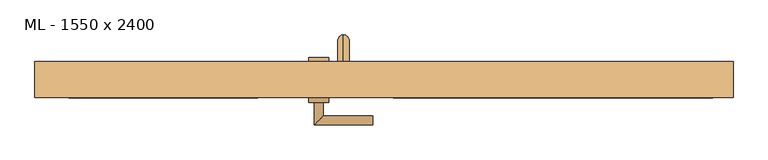
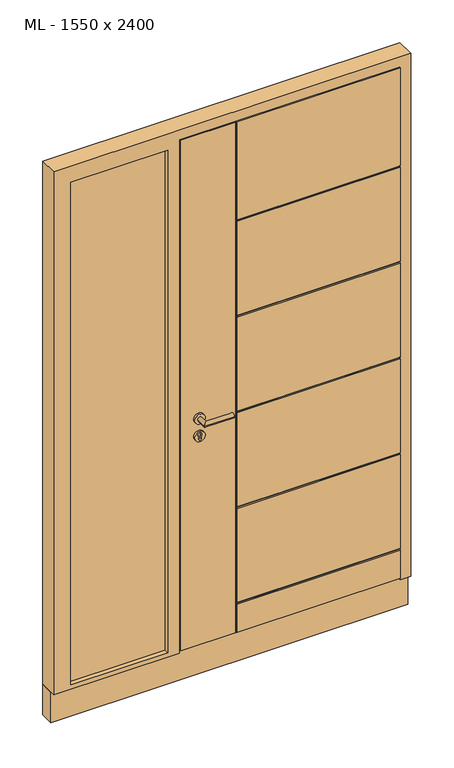
"""IFC4 building model written with IfcOpenShell, lengths in millimetres: door geometry, ML - 1550 x 2400."""

import ifcopenshell
import ifcopenshell.guid

model = None  # the IFC model being written
_history = None  # IfcOwnerHistory: only IFC2X3 demands one
_inside = {}  # id of a spatial element -> (the spatial element, [elements in it])
_under = {}  # id of a project, library or spatial element -> (it, [spatial elements below it])
_declared = {}  # id of a project -> (the project, [libraries it declares])
_typed = {}  # id of a type object -> (the type object, [elements of that type])
_made_of = {}  # id of a material, layer set ... -> (it, [elements and type objects made of it])


def new_model(schema):
    """Start an empty IFC model of exactly this schema.

    Asked for "IFC4X3", IfcOpenShell would pick the latest addendum, in which some entities
    have other attributes; the version numbers below select the first issue.
    IFC2X3 requires an IfcOwnerHistory on every rooted entity: one is made here for all.
    """
    global model, _history
    if schema == "IFC4X3":
        model = ifcopenshell.file(schema_version=(4, 3, 0, 0))
    else:
        model = ifcopenshell.file(schema=schema)
    _inside.clear()
    _under.clear()
    _declared.clear()
    _typed.clear()
    _made_of.clear()
    _history = None
    if model.schema == "IFC2X3":
        org = make("IfcOrganization", Name="unknown")
        user = make(
            "IfcPersonAndOrganization",
            ThePerson=make("IfcPerson", FamilyName="unknown"),
            TheOrganization=org,
        )
        app = make(
            "IfcApplication",
            ApplicationDeveloper=org,
            Version="unknown",
            ApplicationFullName="unknown",
            ApplicationIdentifier="unknown",
        )
        _history = make(
            "IfcOwnerHistory",
            OwningUser=user,
            OwningApplication=app,
            ChangeAction="ADDED",
            CreationDate=0,
        )
    return model


def make(cls, **values):
    """One entity of the class cls with the attributes given. An attribute that is None is left unset."""
    return model.create_entity(
        cls, **{name: value for name, value in values.items() if value is not None}
    )


def rooted(cls, **values):
    """An entity with a GlobalId (a new one), such as an element, a storey or a relation."""
    return make(cls, GlobalId=ifcopenshell.guid.new(), OwnerHistory=_history, **values)


def si_unit(unit_type, name, prefix=None):
    """IfcSIUnit, for example si_unit("LENGTHUNIT", "METRE", prefix="MILLI")."""
    return make("IfcSIUnit", UnitType=unit_type, Prefix=prefix, Name=name)


def assignment(units):
    """IfcUnitAssignment: the units of a project."""
    return None if units is None else make("IfcUnitAssignment", Units=units)


def point(xyz):
    """IfcCartesianPoint."""
    return None if xyz is None else make("IfcCartesianPoint", Coordinates=xyz)


def direction(xyz):
    """IfcDirection."""
    return None if xyz is None else make("IfcDirection", DirectionRatios=xyz)


def frame(location, z_axis=None, x_axis=None):
    """IfcAxis2Placement3D, a coordinate frame: its origin and axes. An axis left out is left unset."""
    return make(
        "IfcAxis2Placement3D",
        Location=point(location),
        Axis=direction(z_axis),
        RefDirection=direction(x_axis),
    )


def frame_2d(location, x_axis=None):
    """IfcAxis2Placement2D, a coordinate frame in the plane: its origin and x axis."""
    return make(
        "IfcAxis2Placement2D", Location=point(location), RefDirection=direction(x_axis)
    )


def origin():
    """The frame at (0, 0, 0) with its axes left unset."""
    return frame((0.0, 0.0, 0.0))


def place(relative_to, where):
    """IfcLocalPlacement: puts the frame where relative to a parent placement (None: the world)."""
    return make(
        "IfcLocalPlacement", PlacementRelTo=relative_to, RelativePlacement=where
    )


def context(
    kind, dimensions, precision=None, world=None, true_north=None, identifier=None
):
    """IfcGeometricRepresentationContext, for example the 3D "Model" context."""
    return make(
        "IfcGeometricRepresentationContext",
        ContextIdentifier=identifier,
        ContextType=kind,
        CoordinateSpaceDimension=dimensions,
        Precision=precision,
        WorldCoordinateSystem=world,
        TrueNorth=true_north,
    )


def project(units=None, contexts=None):
    """IfcProject with its units and contexts."""
    return rooted(
        "IfcProject",
        Name="project",
        RepresentationContexts=contexts,
        UnitsInContext=assignment(units),
    )


def spatial(cls, under=None, at=None, **own):
    """A site, building, storey or space (cls), placed at a placement, below another one or the project."""
    s = rooted(cls, ObjectPlacement=at, **own)
    if under is not None:
        _under.setdefault(under.id(), (under, []))[1].append(s)
    return s


def polyline(points):
    """IfcPolyline through the points."""
    return make("IfcPolyline", Points=[point(p) for p in points])


def circle_curve(where, radius):
    """IfcCircle in the frame where."""
    return make("IfcCircle", Position=where, Radius=radius)


def ellipse_curve(where, semi_axis1, semi_axis2):
    """IfcEllipse in the frame where."""
    return make(
        "IfcEllipse", Position=where, SemiAxis1=semi_axis1, SemiAxis2=semi_axis2
    )


def trimmed(basis, trim1, trim2, sense, master):
    """IfcTrimmedCurve: the piece of a basis curve between two trims."""
    return make(
        "IfcTrimmedCurve",
        BasisCurve=basis,
        Trim1=trim1,
        Trim2=trim2,
        SenseAgreement=sense,
        MasterRepresentation=master,
    )


def segment(curve, same_sense, transition):
    """IfcCompositeCurveSegment."""
    return make(
        "IfcCompositeCurveSegment",
        Transition=transition,
        SameSense=same_sense,
        ParentCurve=curve,
    )


def composite_curve(segments, self_intersect=None):
    """IfcCompositeCurve: segments joined end to end."""
    return make("IfcCompositeCurve", Segments=segments, SelfIntersect=self_intersect)


def outline(outer, holes=None, kind="AREA"):
    """IfcArbitraryClosedProfileDef: a profile drawn as a closed curve; with holes, ...WithVoids."""
    if holes is None:
        return make("IfcArbitraryClosedProfileDef", ProfileType=kind, OuterCurve=outer)
    return make(
        "IfcArbitraryProfileDefWithVoids",
        ProfileType=kind,
        OuterCurve=outer,
        InnerCurves=holes,
    )


def extrude(swept, where, along, depth):
    """IfcExtrudedAreaSolid: the profile swept, set in the frame where, extruded along a direction by depth."""
    return make(
        "IfcExtrudedAreaSolid",
        SweptArea=swept,
        Position=where,
        ExtrudedDirection=direction(along),
        Depth=depth,
    )


def faces_of(points, faces, orient=None, outer=None):
    """IfcFace entities. A face is a list of loops; a loop is a list of indices into points, from 0.

    orient and outer hold one flag for each loop. By default every Orientation is true, the
    first loop of a face is its IfcFaceOuterBound and the others are IfcFaceBound.
    """
    made = []
    for i, loops in enumerate(faces):
        bounds = []
        for j, loop in enumerate(loops):
            is_outer = j == 0 if outer is None else outer[i][j]
            bounds.append(
                make(
                    "IfcFaceOuterBound" if is_outer else "IfcFaceBound",
                    Bound=make("IfcPolyLoop", Polygon=[points[k] for k in loop]),
                    Orientation=True if orient is None else orient[i][j],
                )
            )
        made.append(make("IfcFace", Bounds=bounds))
    return made


def faceted_brep(points, faces, orient=None, outer=None, voids=None):
    """IfcFacetedBrep: a solid bounded by flat faces; with voids (closed shells), ...WithVoids."""
    shared = [point(p) for p in points]
    hull = make("IfcClosedShell", CfsFaces=faces_of(shared, faces, orient, outer))
    if voids is None:
        return make("IfcFacetedBrep", Outer=hull)
    return make(
        "IfcFacetedBrepWithVoids",
        Outer=hull,
        Voids=[
            make(cls, CfsFaces=faces_of(shared, fs, o, b)) for cls, fs, o, b in voids
        ],
    )


def shape(context_of_items, identifier, shape_type, items):
    """IfcShapeRepresentation: the items that make up one representation, for example the "Body"."""
    return make(
        "IfcShapeRepresentation",
        ContextOfItems=context_of_items,
        RepresentationIdentifier=identifier,
        RepresentationType=shape_type,
        Items=items,
    )


def source(mapping_origin, context_of_items, identifier, shape_type, items):
    """IfcRepresentationMap: a shape defined once, which mapped items show again and again."""
    return make(
        "IfcRepresentationMap",
        MappingOrigin=mapping_origin,
        MappedRepresentation=shape(context_of_items, identifier, shape_type, items),
    )


def transform(
    local_origin,
    x_axis=None,
    y_axis=None,
    z_axis=None,
    scale=None,
    scale2=None,
    scale3=None,
    uniform=True,
):
    """IfcCartesianTransformationOperator3D, or its non-uniform kind. x_axis, y_axis, z_axis: its Axis1, 2, 3."""
    if uniform:
        return make(
            "IfcCartesianTransformationOperator3D",
            Axis1=direction(x_axis),
            Axis2=direction(y_axis),
            LocalOrigin=point(local_origin),
            Scale=scale,
            Axis3=direction(z_axis),
        )
    return make(
        "IfcCartesianTransformationOperator3DnonUniform",
        Axis1=direction(x_axis),
        Axis2=direction(y_axis),
        LocalOrigin=point(local_origin),
        Scale=scale,
        Axis3=direction(z_axis),
        Scale2=scale2,
        Scale3=scale3,
    )


def mapped(mapping_source, mapping_target):
    """IfcMappedItem: shows the shape of a source again, moved by a transform."""
    return make(
        "IfcMappedItem", MappingSource=mapping_source, MappingTarget=mapping_target
    )


def made_of(thing, what):
    """Note that an element or type object is made of a material, layer set ...; save() writes the relation."""
    if what is not None:
        _made_of.setdefault(what.id(), (what, []))[1].append(thing)
    return thing


def element(
    cls,
    number,
    at=None,
    inside=None,
    cuts=None,
    type_object=None,
    material=None,
    context=None,
    identifier="Body",
    shape_type=None,
    held_by="IfcProductDefinitionShape",
    body=None,
    shapes=None,
    **own,
):
    """One element of the class cls, such as IfcWall. Its Tag is "e" and its number.

    at: its placement. inside: the storey or other place that contains it. cuts: it is an
    opening in that element (IfcRelVoidsElement). A single representation is given by context,
    identifier, shape_type and body (its items); several are given by shapes. held_by: the class
    of the entity that holds the representations. save() writes the other relations.
    """
    e = rooted(cls, Tag="e%d" % number, ObjectPlacement=at, **own)
    if body is not None:
        shapes = [shape(context, identifier, shape_type, body)]
    if shapes is not None:
        e.Representation = make(held_by, Representations=shapes)
    if inside is not None:
        _inside.setdefault(inside.id(), (inside, []))[1].append(e)
    if cuts is not None:
        rooted(
            "IfcRelVoidsElement", RelatingBuildingElement=cuts, RelatedOpeningElement=e
        )
    if type_object is not None:
        _typed.setdefault(type_object.id(), (type_object, []))[1].append(e)
    return made_of(e, material)


def aggregate(whole, parts):
    """IfcRelAggregates: a whole, such as a stair, and the parts it consists of."""
    return rooted("IfcRelAggregates", RelatingObject=whole, RelatedObjects=parts)


def save(model, path):
    """Write the relations noted so far, then the file.

    IfcRelAggregates (storeys below a building ...), IfcRelContainedInSpatialStructure (elements
    in a storey), IfcRelDefinesByType, IfcRelAssociatesMaterial and IfcRelDeclares: one each for
    every whole, place, type object, material and project.
    """
    for whole, parts in _under.values():
        aggregate(whole, parts)
    for where, things in _inside.values():
        rooted(
            "IfcRelContainedInSpatialStructure",
            RelatedElements=things,
            RelatingStructure=where,
        )
    for kind, things in _typed.values():
        rooted("IfcRelDefinesByType", RelatedObjects=things, RelatingType=kind)
    for what, things in _made_of.values():
        rooted("IfcRelAssociatesMaterial", RelatedObjects=things, RelatingMaterial=what)
    for by, libraries in _declared.values():
        rooted("IfcRelDeclares", RelatingContext=by, RelatedDefinitions=libraries)
    model.write(path)


def plane_surface(at):
    """IfcPlane: the flat surface through the origin of the frame at, square to its z axis."""
    return make("IfcPlane", Position=at)


def cylinder_surface(at, radius):
    """IfcCylindricalSurface: all points at the distance radius from the z axis of the frame at."""
    return make("IfcCylindricalSurface", Position=at, Radius=radius)


def revolved_surface(curve, axis_point, axis_direction):
    """IfcSurfaceOfRevolution: the curve turned about the line through axis_point along axis_direction."""
    return make(
        "IfcSurfaceOfRevolution",
        SweptCurve=make("IfcArbitraryOpenProfileDef", ProfileType="CURVE", Curve=curve),
        AxisPosition=make("IfcAxis1Placement", Location=point(axis_point), Axis=direction(axis_direction)),
    )


def advanced_brep(points, edges, surfaces, faces):
    """IfcAdvancedBrep: a solid bounded by faces that lie on surfaces and meet in shared edges.

    An edge is (start, end): straight between two places in points (the first is 0);
    or (start, end, curve); or (start, end, curve, False) where it runs against its curve.
    A face is (place in surfaces, loops), or (place, loops, False) where it looks against
    its surface's normal. A loop lists edges by number (the first is 1), with a minus sign
    where the edge is run from its end to its start. The first loop is the outer one.
    """
    corners = [point(p) for p in points]
    vertices = [make("IfcVertexPoint", VertexGeometry=c) for c in corners]
    made = []
    for start, end, *more in edges:
        made.append(
            make(
                "IfcEdgeCurve",
                EdgeStart=vertices[start],
                EdgeEnd=vertices[end],
                EdgeGeometry=more[0] if more else make("IfcPolyline", Points=[corners[start], corners[end]]),
                SameSense=more[1] if len(more) > 1 else True,
            )
        )
    hull = []
    for where, loops, *sense in faces:
        bounds = []
        for j, loop in enumerate(loops):
            ring = [make("IfcOrientedEdge", EdgeElement=made[abs(k) - 1], Orientation=k > 0) for k in loop]
            bounds.append(
                make(
                    "IfcFaceOuterBound" if j == 0 else "IfcFaceBound",
                    Bound=make("IfcEdgeLoop", EdgeList=ring),
                    Orientation=True,
                )
            )
        hull.append(make("IfcAdvancedFace", Bounds=bounds, FaceSurface=surfaces[where], SameSense=sense[0] if sense else True))
    return make("IfcAdvancedBrep", Outer=make("IfcClosedShell", CfsFaces=hull))


def ml_1550_x_2400_99d1cead(model_context):
    return source(origin(), model_context, "Body", "SolidModel", [
        advanced_brep(
        [(-377.5, 125.0, 1775.0), (-377.5, 125.0, 1800.0), (-377.5, 125.0, 325.0), (-377.5, 125.0, 300.0), (-377.5, 160.0, 325.0), (-377.5, 185.0, 300.0), (-377.5, 185.0, 1800.0), (-377.5, 160.0, 1775.0)],
        [
            (0, 1, circle_curve(frame((-377.5, 125.0, 1787.5), z_axis=(0.0, -1.0, 0.0), x_axis=(0.0, 0.0, 1.0)), 12.5)),
            (1, 0, circle_curve(frame((-377.5, 125.0, 1787.5), z_axis=(0.0, -1.0, 0.0), x_axis=(0.0, 0.0, 1.0)), 12.5)),
            (2, 3, circle_curve(frame((-377.5, 125.0, 312.5), z_axis=(0.0, -1.0, 0.0), x_axis=(0.0, 0.0, -1.0)), 12.5)),
            (3, 2, circle_curve(frame((-377.5, 125.0, 312.5), z_axis=(0.0, -1.0, 0.0), x_axis=(0.0, 0.0, -1.0)), 12.5)),
            (4, 5, ellipse_curve(frame((-377.5, 172.5, 312.5), z_axis=(0.0, -0.7071067811865475, -0.7071067811865475), x_axis=(0.0, 0.7071067811865476, -0.7071067811865474)), 17.6776695, 12.5)),
            (5, 3),
            (2, 4),
            (5, 4, ellipse_curve(frame((-377.5, 172.5, 312.5), z_axis=(0.0, -0.7071067811865475, -0.7071067811865475), x_axis=(0.0, 0.7071067811865476, -0.7071067811865474)), 17.6776695, 12.5)),
            (6, 7, ellipse_curve(frame((-377.5, 172.5, 1787.5), z_axis=(0.0, 0.7071067811865475, -0.7071067811865475), x_axis=(0.0, 0.7071067811865474, 0.7071067811865476)), 17.6776695, 12.5)),
            (7, 4),
            (5, 6),
            (7, 6, ellipse_curve(frame((-377.5, 172.5, 1787.5), z_axis=(0.0, 0.7071067811865475, -0.7071067811865475), x_axis=(0.0, 0.7071067811865474, 0.7071067811865476)), 17.6776695, 12.5)),
            (0, 7),
            (6, 1),
        ],
        [
            plane_surface(frame((-377.5, 125.0, 1800.0), z_axis=(0.0, -1.0, 0.0), x_axis=(1.0, 0.0, 0.0))),
            plane_surface(frame((-377.5, 125.0, 300.0), z_axis=(0.0, -1.0, 0.0), x_axis=(1.0, 0.0, 0.0))),
            cylinder_surface(frame((-377.5, 185.0, 312.5), z_axis=(0.0, 1.0, 0.0), x_axis=(0.0, 0.0, -1.0)), 12.5),
            cylinder_surface(frame((-377.5, 172.5, 1800.0), z_axis=(0.0, 0.0, 1.0), x_axis=(0.0, 1.0, 0.0)), 12.5),
            cylinder_surface(frame((-377.5, 125.0, 1787.5), z_axis=(0.0, -1.0, 0.0), x_axis=(0.0, 0.0, 1.0)), 12.5),
        ],
        [
            (0, [[1, 2]]),
            (1, [[3, 4]]),
            (2, [[5, 6, -3, 7]]),
            (2, [[8, -7, -4, -6]]),
            (3, [[9, 10, -8, 11]]),
            (3, [[12, -11, -5, -10]]),
            (4, [[-1, 13, -9, 14]]),
            (4, [[-2, -14, -12, -13]]),
        ],
    ),
        advanced_brep(
        [(-455.0, 125.0, 970.0), (-410.0, 125.0, 970.0), (-455.0, 135.0, 970.0), (-410.0, 135.0, 970.0), (-437.5, 135.0, 958.5), (-427.5, 135.0, 958.5), (-427.5, 135.0, 971.1261365), (-437.5, 135.0, 971.1261365), (-437.5, 127.0, 971.1261365), (-437.5, 127.0, 958.5), (-427.5, 127.0, 971.1261365), (-427.5, 127.0, 958.5)],
        [
            (0, 1, circle_curve(frame((-432.5, 125.0, 970.0), z_axis=(0.0, -1.0, 0.0), x_axis=(1.0, 0.0, 0.0)), 22.5)),
            (1, 0, circle_curve(frame((-432.5, 125.0, 970.0), z_axis=(0.0, -1.0, 0.0), x_axis=(1.0, 0.0, 0.0)), 22.5)),
            (2, 3, circle_curve(frame((-432.5, 135.0, 970.0), z_axis=(0.0, 1.0, 0.0), x_axis=(1.0, 0.0, 0.0)), 22.5)),
            (3, 2, circle_curve(frame((-432.5, 135.0, 970.0), z_axis=(0.0, 1.0, 0.0), x_axis=(1.0, 0.0, 0.0)), 22.5)),
            (4, 5, circle_curve(frame((-432.5, 135.0, 958.5), z_axis=(0.0, -1.0, 0.0), x_axis=(1.0, 0.0, 0.0)), 5.0)),
            (5, 6),
            (6, 7, circle_curve(frame((-432.5, 135.0, 978.0), z_axis=(0.0, -1.0, 0.0), x_axis=(1.0, 0.0, 0.0)), 8.5)),
            (7, 4),
            (0, 2),
            (3, 1),
            (7, 8),
            (8, 9),
            (9, 4),
            (6, 10),
            (10, 8, circle_curve(frame((-432.5, 127.0, 978.0), z_axis=(0.0, -1.0, 0.0), x_axis=(1.0, 0.0, 0.0)), 8.5)),
            (5, 11),
            (11, 10),
            (9, 11, circle_curve(frame((-432.5, 127.0, 958.5), z_axis=(0.0, -1.0, 0.0), x_axis=(1.0, 0.0, 0.0)), 5.0)),
        ],
        [
            plane_surface(frame((-410.0, 125.0, 970.0), z_axis=(0.0, -1.0, 0.0), x_axis=(0.0, 0.0, 1.0))),
            plane_surface(frame((-410.0, 135.0, 970.0), z_axis=(0.0, 1.0, 0.0), x_axis=(0.0, 0.0, -1.0))),
            cylinder_surface(frame((-432.5, 135.0, 970.0), z_axis=(0.0, -1.0, 0.0), x_axis=(1.0, 0.0, 0.0)), 22.5),
            plane_surface(frame((-437.5, 125.0, 958.5), z_axis=(1.0, 0.0, 0.0), x_axis=(0.0, 1.0, 0.0))),
            revolved_surface(polyline([(-424.0, 135.0, 978.0), (-424.0, 127.0, 978.0)]), (-432.5, 125.0, 978.0), (0.0, 1.0, 0.0)),
            plane_surface(frame((-427.5, 125.0, 971.1261365), z_axis=(-1.0, 0.0, 0.0), x_axis=(0.0, 1.0, 0.0))),
            revolved_surface(polyline([(-427.5, 135.0, 958.5), (-427.5, 127.0, 958.5)]), (-432.5, 125.0, 958.5), (0.0, 1.0, 0.0)),
            plane_surface(frame((-424.0, 127.0, 978.0), z_axis=(0.0, 1.0, 0.0), x_axis=(0.0, 0.0, -1.0))),
        ],
        [
            (0, [[1, 2]]),
            (1, [[3, 4], [5, 6, 7, 8]]),
            (2, [[-1, 9, -4, 10]]),
            (2, [[-2, -10, -3, -9]]),
            (3, [[-8, 11, 12, 13]]),
            (4, [[-7, 14, 15, -11]]),
            (5, [[-6, 16, 17, -14]]),
            (6, [[-5, -13, 18, -16]]),
            (7, [[-12, -15, -17, -18]]),
        ],
    ),
        advanced_brep(
        [(-455.0, 45.0, 970.0), (-410.0, 45.0, 970.0), (-455.0, 35.0, 970.0), (-410.0, 35.0, 970.0), (-437.5, 35.0, 958.5), (-437.5, 35.0, 971.1261365), (-427.5, 35.0, 971.1261365), (-427.5, 35.0, 958.5), (-437.5, 43.0, 958.5), (-437.5, 43.0, 971.1261365), (-427.5, 43.0, 971.1261365), (-427.5, 43.0, 958.5)],
        [
            (0, 1, circle_curve(frame((-432.5, 45.0, 970.0), z_axis=(0.0, 1.0, 0.0), x_axis=(1.0, 0.0, 0.0)), 22.5)),
            (1, 0, circle_curve(frame((-432.5, 45.0, 970.0), z_axis=(0.0, 1.0, 0.0), x_axis=(1.0, 0.0, 0.0)), 22.5)),
            (2, 3, circle_curve(frame((-432.5, 35.0, 970.0), z_axis=(0.0, -1.0, 0.0), x_axis=(1.0, 0.0, 0.0)), 22.5)),
            (3, 2, circle_curve(frame((-432.5, 35.0, 970.0), z_axis=(0.0, -1.0, 0.0), x_axis=(1.0, 0.0, 0.0)), 22.5)),
            (4, 5),
            (5, 6, circle_curve(frame((-432.5, 35.0, 978.0), z_axis=(0.0, 1.0, 0.0), x_axis=(1.0, 0.0, 0.0)), 8.5)),
            (6, 7),
            (7, 4, circle_curve(frame((-432.5, 35.0, 958.5), z_axis=(0.0, 1.0, 0.0), x_axis=(1.0, 0.0, 0.0)), 5.0)),
            (1, 3),
            (2, 0),
            (4, 8),
            (8, 9),
            (9, 5),
            (9, 10, circle_curve(frame((-432.5, 43.0, 978.0), z_axis=(0.0, 1.0, 0.0), x_axis=(1.0, 0.0, 0.0)), 8.5)),
            (10, 6),
            (10, 11),
            (11, 7),
            (11, 8, circle_curve(frame((-432.5, 43.0, 958.5), z_axis=(0.0, 1.0, 0.0), x_axis=(1.0, 0.0, 0.0)), 5.0)),
        ],
        [
            plane_surface(frame((-410.0, 45.0, 970.0), z_axis=(0.0, 1.0, 0.0), x_axis=(0.0, 0.0, 1.0))),
            plane_surface(frame((-410.0, 35.0, 970.0), z_axis=(0.0, -1.0, 0.0), x_axis=(0.0, 0.0, -1.0))),
            cylinder_surface(frame((-432.5, 35.0, 970.0), z_axis=(0.0, 1.0, 0.0), x_axis=(1.0, 0.0, 0.0)), 22.5),
            plane_surface(frame((-437.5, 45.0, 958.5), z_axis=(1.0, 0.0, 0.0), x_axis=(0.0, -1.0, 0.0))),
            revolved_surface(polyline([(-424.0, 35.0, 978.0), (-424.0, 43.0, 978.0)]), (-432.5, 45.0, 978.0), (0.0, -1.0, 0.0)),
            plane_surface(frame((-427.5, 45.0, 971.1261365), z_axis=(-1.0, 0.0, 0.0), x_axis=(0.0, -1.0, 0.0))),
            revolved_surface(polyline([(-427.5, 35.0, 958.5), (-427.5, 43.0, 958.5)]), (-432.5, 45.0, 958.5), (0.0, -1.0, 0.0)),
            plane_surface(frame((-437.5, 43.0, 958.5), z_axis=(0.0, -1.0, 0.0), x_axis=(0.0, 0.0, 1.0))),
        ],
        [
            (0, [[1, 2]]),
            (1, [[3, 4], [5, 6, 7, 8]]),
            (2, [[9, -3, 10, -2]]),
            (2, [[-10, -4, -9, -1]]),
            (3, [[11, 12, 13, -5]]),
            (4, [[-13, 14, 15, -6]]),
            (5, [[-15, 16, 17, -7]]),
            (6, [[-17, 18, -11, -8]]),
            (7, [[-18, -16, -14, -12]]),
        ],
    ),
        advanced_brep(
        [(-422.5, 35.0, 1050.0), (-442.5, 35.0, 1050.0), (-442.5, -15.0, 1050.0), (-422.5, 5.0, 1050.0), (-312.5, 5.0, 1050.0), (-312.5, -15.0, 1050.0)],
        [
            (0, 1, circle_curve(frame((-432.5, 35.0, 1050.0), z_axis=(0.0, 1.0, 0.0), x_axis=(-1.0, 0.0, 0.0)), 10.0)),
            (1, 0, circle_curve(frame((-432.5, 35.0, 1050.0), z_axis=(0.0, 1.0, 0.0), x_axis=(-1.0, 0.0, 0.0)), 10.0)),
            (1, 2),
            (2, 3, ellipse_curve(frame((-432.5, -5.0, 1050.0), z_axis=(-0.7071067811865486, 0.7071067811865464, 0.0), x_axis=(0.7071067811865464, 0.7071067811865488, 0.0)), 14.1421356, 10.0)),
            (3, 0),
            (3, 2, ellipse_curve(frame((-432.5, -5.0, 1050.0), z_axis=(-0.7071067811865486, 0.7071067811865464, 0.0), x_axis=(0.7071067811865464, 0.7071067811865488, 0.0)), 14.1421356, 10.0)),
            (4, 5, circle_curve(frame((-312.5, -5.0, 1050.0), z_axis=(1.0, 0.0, 0.0), x_axis=(0.0, -1.0, 0.0)), 10.0)),
            (5, 4, circle_curve(frame((-312.5, -5.0, 1050.0), z_axis=(1.0, 0.0, 0.0), x_axis=(0.0, -1.0, 0.0)), 10.0)),
            (2, 5),
            (4, 3),
        ],
        [
            plane_surface(frame((-432.5, 35.0, 1050.0), z_axis=(0.0, 1.0, 0.0), x_axis=(0.0, 0.0, 1.0))),
            cylinder_surface(frame((-432.5, 35.0, 1050.0), z_axis=(0.0, 1.0, 0.0), x_axis=(-1.0, 0.0, 0.0)), 10.0),
            plane_surface(frame((-312.5, -5.0, 1050.0), z_axis=(1.0, 0.0, 0.0), x_axis=(0.0, 0.0, 1.0))),
            cylinder_surface(frame((-432.5, -5.0, 1050.0), z_axis=(-1.0, 0.0, 0.0), x_axis=(0.0, -1.0, 0.0)), 10.0),
        ],
        [
            (0, [[1, 2]]),
            (1, [[3, 4, 5, -2]]),
            (1, [[-5, 6, -3, -1]]),
            (2, [[7, 8]]),
            (3, [[9, -7, 10, -4]]),
            (3, [[-10, -8, -9, -6]]),
        ],
    ),
        advanced_brep(
        [(-422.5, 35.0, 1050.0), (-442.5, 35.0, 1050.0), (-442.5, -15.0, 1050.0), (-422.5, 5.0, 1050.0), (-312.5, 5.0, 1050.0), (-312.5, -15.0, 1050.0)],
        [
            (0, 1, circle_curve(frame((-432.5, 35.0, 1050.0), z_axis=(0.0, 1.0, 0.0), x_axis=(-1.0, 0.0, 0.0)), 10.0)),
            (1, 0, circle_curve(frame((-432.5, 35.0, 1050.0), z_axis=(0.0, 1.0, 0.0), x_axis=(-1.0, 0.0, 0.0)), 10.0)),
            (1, 2),
            (2, 3, ellipse_curve(frame((-432.5, -5.0, 1050.0), z_axis=(-0.7071067811865491, 0.7071067811865459, 0.0), x_axis=(0.7071067811865458, 0.7071067811865492, 0.0)), 14.1421356, 10.0)),
            (3, 0),
            (3, 2, ellipse_curve(frame((-432.5, -5.0, 1050.0), z_axis=(-0.7071067811865491, 0.7071067811865459, 0.0), x_axis=(0.7071067811865458, 0.7071067811865492, 0.0)), 14.1421356, 10.0)),
            (4, 5, circle_curve(frame((-312.5, -5.0, 1050.0), z_axis=(1.0, 0.0, 0.0), x_axis=(0.0, -1.0, 0.0)), 10.0)),
            (5, 4, circle_curve(frame((-312.5, -5.0, 1050.0), z_axis=(1.0, 0.0, 0.0), x_axis=(0.0, -1.0, 0.0)), 10.0)),
            (2, 5),
            (4, 3),
        ],
        [
            plane_surface(frame((-432.5, 35.0, 1050.0), z_axis=(0.0, 1.0, 0.0), x_axis=(0.0, 0.0, 1.0))),
            cylinder_surface(frame((-432.5, 35.0, 1050.0), z_axis=(0.0, 1.0, 0.0), x_axis=(-1.0, 0.0, 0.0)), 10.0),
            plane_surface(frame((-312.5, -5.0, 1050.0), z_axis=(1.0, 0.0, 0.0), x_axis=(0.0, 0.0, 1.0))),
            cylinder_surface(frame((-432.5, -5.0, 1050.0), z_axis=(-1.0, 0.0, 0.0), x_axis=(0.0, -1.0, 0.0)), 10.0),
        ],
        [
            (0, [[1, 2]]),
            (1, [[3, 4, 5, -2]]),
            (1, [[-5, 6, -3, -1]]),
            (2, [[7, 8]]),
            (3, [[9, -7, 10, -4]]),
            (3, [[-10, -8, -9, -6]]),
        ],
    ),
        extrude(outline(composite_curve([segment(trimmed(circle_curve(frame_2d((1050.0, -432.5)), 22.5), [point((1050.0, -455.0))], [point((1050.0, -410.0))], False, "CARTESIAN"), True, "CONTINUOUS"), segment(trimmed(circle_curve(frame_2d((1050.0, -432.5)), 22.5), [point((1050.0, -410.0))], [point((1050.0, -455.0))], False, "CARTESIAN"), True, "CONTINUOUS")], self_intersect=False)), frame((0.0, 35.0, 0.0), z_axis=(0.0, 1.0, 0.0), x_axis=(0.0, 0.0, 1.0)), (0.0, 0.0, 1.0), 10.0),
        advanced_brep(
        [(-509.5, 45.0, 2351.0), (-509.5, 45.0, 8.0), (-273.5, 45.0, 8.0), (-273.5, 45.0, 2351.0), (-265.5, 45.0, 583.2), (442.5, 45.0, 583.2), (442.5, 45.0, 1014.4), (-265.5, 45.0, 1014.4), (-265.5, 45.0, 1022.4), (442.5, 45.0, 1022.4), (442.5, 45.0, 1453.6), (-265.5, 45.0, 1453.6), (-265.5, 45.0, 1461.6), (442.5, 45.0, 1461.6), (442.5, 45.0, 1892.8), (-265.5, 45.0, 1892.8), (442.5, 45.0, 144.0), (442.5, 45.0, 575.2), (-265.5, 45.0, 575.2), (-265.5, 45.0, 144.0), (442.5, 45.0, 8.0), (442.5, 45.0, 136.0), (-265.5, 45.0, 136.0), (-265.5, 45.0, 8.0), (442.5, 45.0, 2351.0), (-265.5, 45.0, 2351.0), (-265.5, 45.0, 1900.8), (442.5, 45.0, 1900.8), (-509.5, 65.0, 2351.0), (-509.5, 65.0, 8.0), (442.5, 65.0, 2351.0), (442.5, 65.0, 8.0), (427.5, 65.0, 2336.0), (-494.5, 65.0, 2336.0), (-494.5, 65.0, 20.0), (427.5, 65.0, 20.0), (-494.5, 105.0, 2336.0), (-494.5, 105.0, 20.0), (427.5, 105.0, 2336.0), (427.5, 105.0, 20.0), (412.5, 105.0, 2321.0), (-479.5, 105.0, 2321.0), (-479.5, 105.0, 140.0), (412.5, 105.0, 140.0), (-479.5, 125.0, 2321.0), (-479.5, 125.0, 140.0), (-273.5, 125.0, 2321.0), (-273.5, 125.0, 140.0), (412.5, 125.0, 575.2), (412.5, 125.0, 140.0), (-265.5, 125.0, 140.0), (-265.5, 125.0, 575.2), (412.5, 125.0, 583.2), (-265.5, 125.0, 583.2), (-265.5, 125.0, 1014.4), (412.5, 125.0, 1014.4), (412.5, 125.0, 1022.4), (-265.5, 125.0, 1022.4), (-265.5, 125.0, 1453.6), (412.5, 125.0, 1453.6), (-265.5, 125.0, 2321.0), (412.5, 125.0, 2321.0), (412.5, 125.0, 1900.8), (-265.5, 125.0, 1900.8), (412.5, 125.0, 1461.6), (-265.5, 125.0, 1461.6), (-265.5, 125.0, 1892.8), (412.5, 125.0, 1892.8), (412.5, 121.0, 579.2), (412.5, 121.0, 1018.4), (412.5, 121.0, 1457.6), (412.5, 121.0, 1896.8), (442.5, 49.0, 1896.8), (442.5, 49.0, 1457.6), (442.5, 49.0, 1018.4), (442.5, 49.0, 579.2), (442.5, 49.0, 140.0), (-269.5, 49.0, 2351.0), (-269.5, 121.0, 2321.0), (-269.5, 49.0, 8.0), (-269.5, 121.0, 140.0), (-269.5, 121.0, 579.2), (-269.5, 49.0, 579.2), (-269.5, 49.0, 140.0), (-269.5, 121.0, 1896.8), (-269.5, 121.0, 1457.6), (-269.5, 121.0, 1018.4), (-269.5, 49.0, 1018.4), (-269.5, 49.0, 1457.6), (-269.5, 49.0, 1896.8)],
        [
            (0, 1),
            (1, 2),
            (2, 3),
            (3, 0),
            (4, 5),
            (5, 6),
            (6, 7),
            (7, 4),
            (8, 9),
            (9, 10),
            (10, 11),
            (11, 8),
            (12, 13),
            (13, 14),
            (14, 15),
            (15, 12),
            (16, 17),
            (17, 18),
            (18, 19),
            (19, 16),
            (20, 21),
            (21, 22),
            (22, 23),
            (23, 20),
            (24, 25),
            (25, 26),
            (26, 27),
            (27, 24),
            (0, 28),
            (28, 29),
            (29, 1),
            (28, 30),
            (30, 31),
            (31, 29),
            (32, 33),
            (33, 34),
            (34, 35),
            (35, 32),
            (33, 36),
            (36, 37),
            (37, 34),
            (36, 38),
            (38, 39),
            (39, 37),
            (40, 41),
            (41, 42),
            (42, 43),
            (43, 40),
            (41, 44),
            (44, 45),
            (45, 42),
            (44, 46),
            (46, 47),
            (47, 45),
            (48, 49),
            (49, 50),
            (50, 51),
            (51, 48),
            (52, 53),
            (53, 54),
            (54, 55),
            (55, 52),
            (56, 57),
            (57, 58),
            (58, 59),
            (59, 56),
            (60, 61),
            (61, 62),
            (62, 63),
            (63, 60),
            (64, 65),
            (65, 66),
            (66, 67),
            (67, 64),
            (61, 40),
            (43, 49),
            (48, 68, circle_curve(frame((412.5, 121.0, 575.2), z_axis=(1.0, 0.0, 0.0), x_axis=(0.0, 1.0, 0.0)), 4.0)),
            (68, 52, circle_curve(frame((412.5, 121.0, 583.2), z_axis=(1.0, 0.0, 0.0), x_axis=(0.0, 1.0, 0.0)), 4.0)),
            (55, 69, circle_curve(frame((412.5, 121.0, 1014.4), z_axis=(1.0, 0.0, 0.0), x_axis=(0.0, 1.0, 0.0)), 4.0)),
            (69, 56, circle_curve(frame((412.5, 121.0, 1022.4), z_axis=(1.0, 0.0, 0.0), x_axis=(0.0, 1.0, 0.0)), 4.0)),
            (59, 70, circle_curve(frame((412.5, 121.0, 1453.6), z_axis=(1.0, 0.0, 0.0), x_axis=(0.0, 1.0, 0.0)), 4.0)),
            (70, 64, circle_curve(frame((412.5, 121.0, 1461.6), z_axis=(1.0, 0.0, 0.0), x_axis=(0.0, 1.0, 0.0)), 4.0)),
            (67, 71, circle_curve(frame((412.5, 121.0, 1892.8), z_axis=(1.0, 0.0, 0.0), x_axis=(0.0, 1.0, 0.0)), 4.0)),
            (71, 62, circle_curve(frame((412.5, 121.0, 1900.8), z_axis=(1.0, 0.0, 0.0), x_axis=(0.0, 1.0, 0.0)), 4.0)),
            (38, 32),
            (35, 39),
            (30, 24),
            (27, 72, circle_curve(frame((442.5, 49.0, 1900.8), z_axis=(1.0, 0.0, 0.0), x_axis=(0.0, -1.0, 0.0)), 4.0)),
            (72, 14, circle_curve(frame((442.5, 49.0, 1892.8), z_axis=(1.0, 0.0, 0.0), x_axis=(0.0, -1.0, 0.0)), 4.0)),
            (13, 73, circle_curve(frame((442.5, 49.0, 1461.6), z_axis=(1.0, 0.0, 0.0), x_axis=(0.0, -1.0, 0.0)), 4.0)),
            (73, 10, circle_curve(frame((442.5, 49.0, 1453.6), z_axis=(1.0, 0.0, 0.0), x_axis=(0.0, -1.0, 0.0)), 4.0)),
            (9, 74, circle_curve(frame((442.5, 49.0, 1022.4), z_axis=(1.0, 0.0, 0.0), x_axis=(0.0, -1.0, 0.0)), 4.0)),
            (74, 6, circle_curve(frame((442.5, 49.0, 1014.4), z_axis=(1.0, 0.0, 0.0), x_axis=(0.0, -1.0, 0.0)), 4.0)),
            (5, 75, circle_curve(frame((442.5, 49.0, 583.2), z_axis=(1.0, 0.0, 0.0), x_axis=(0.0, -1.0, 0.0)), 4.0)),
            (75, 17, circle_curve(frame((442.5, 49.0, 575.2), z_axis=(1.0, 0.0, 0.0), x_axis=(0.0, -1.0, 0.0)), 4.0)),
            (16, 76, circle_curve(frame((442.5, 49.0, 144.0), z_axis=(1.0, 0.0, 0.0), x_axis=(0.0, -1.0, 0.0)), 4.0)),
            (76, 21, circle_curve(frame((442.5, 49.0, 136.0), z_axis=(1.0, 0.0, 0.0), x_axis=(0.0, -1.0, 0.0)), 4.0)),
            (20, 31),
            (3, 77, circle_curve(frame((-273.5, 49.0, 2351.0), z_axis=(0.0, 0.0, 1.0), x_axis=(0.0, -1.0, 0.0)), 4.0)),
            (77, 25, circle_curve(frame((-265.5, 49.0, 2351.0), z_axis=(0.0, 0.0, 1.0), x_axis=(0.0, -1.0, 0.0)), 4.0)),
            (60, 78, circle_curve(frame((-265.5, 121.0, 2321.0), z_axis=(0.0, 0.0, 1.0), x_axis=(0.0, 1.0, 0.0)), 4.0)),
            (78, 46, circle_curve(frame((-273.5, 121.0, 2321.0), z_axis=(0.0, 0.0, 1.0), x_axis=(0.0, 1.0, 0.0)), 4.0)),
            (23, 79, circle_curve(frame((-265.5, 49.0, 8.0), z_axis=(0.0, 0.0, -1.0), x_axis=(0.0, -1.0, 0.0)), 4.0)),
            (79, 2, circle_curve(frame((-273.5, 49.0, 8.0), z_axis=(0.0, 0.0, -1.0), x_axis=(0.0, -1.0, 0.0)), 4.0)),
            (47, 80, circle_curve(frame((-273.5, 121.0, 140.0), z_axis=(0.0, 0.0, -1.0), x_axis=(0.0, 1.0, 0.0)), 4.0)),
            (80, 50, circle_curve(frame((-265.5, 121.0, 140.0), z_axis=(0.0, 0.0, -1.0), x_axis=(0.0, 1.0, 0.0)), 4.0)),
            (81, 68),
            (51, 81, ellipse_curve(frame((-265.5, 121.0, 575.2), z_axis=(0.7071067811865476, 0.0, 0.7071067811865475), x_axis=(0.7071067811865475, 0.0, -0.7071067811865476)), 5.6568542, 4.0)),
            (81, 53, ellipse_curve(frame((-265.5, 121.0, 583.2), z_axis=(0.7071067811865475, 0.0, -0.7071067811865476), x_axis=(0.7071067811865476, 0.0, 0.7071067811865475)), 5.6568542, 4.0)),
            (75, 82),
            (82, 18, ellipse_curve(frame((-265.5, 49.0, 575.2), z_axis=(0.7071067811865475, 0.0, 0.7071067811865476), x_axis=(-0.7071067811865476, 0.0, 0.7071067811865475)), 5.6568542, 4.0)),
            (4, 82, ellipse_curve(frame((-265.5, 49.0, 583.2), z_axis=(0.7071067811865476, 0.0, -0.7071067811865475), x_axis=(-0.7071067811865475, 0.0, -0.7071067811865476)), 5.6568542, 4.0)),
            (76, 83),
            (83, 22, ellipse_curve(frame((-265.5, 49.0, 136.0), z_axis=(0.7071067811865475, 0.0, 0.7071067811865476), x_axis=(0.7071067811865476, 0.0, -0.7071067811865475)), 5.6568542, 4.0)),
            (19, 83, ellipse_curve(frame((-265.5, 49.0, 144.0), z_axis=(0.7071067811865476, 0.0, -0.7071067811865475), x_axis=(0.7071067811865475, 0.0, 0.7071067811865476)), 5.6568542, 4.0)),
            (81, 80),
            (78, 84),
            (84, 85),
            (85, 86),
            (86, 81),
            (63, 84, ellipse_curve(frame((-265.5, 121.0, 1900.8), z_axis=(-0.7071067811865475, 0.0, 0.7071067811865476), x_axis=(0.7071067811865475, 0.0, 0.7071067811865475)), 5.6568542, 4.0)),
            (86, 54, ellipse_curve(frame((-265.5, 121.0, 1014.4), z_axis=(-0.7071067811865476, 0.0, -0.7071067811865475), x_axis=(-0.7071067811865475, 0.0, 0.7071067811865475)), 5.6568542, 4.0)),
            (57, 86, ellipse_curve(frame((-265.5, 121.0, 1022.4), z_axis=(-0.7071067811865475, 0.0, 0.7071067811865476), x_axis=(0.7071067811865475, 0.0, 0.7071067811865475)), 5.6568542, 4.0)),
            (85, 58, ellipse_curve(frame((-265.5, 121.0, 1453.6), z_axis=(-0.7071067811865476, 0.0, -0.7071067811865475), x_axis=(-0.7071067811865475, 0.0, 0.7071067811865475)), 5.6568542, 4.0)),
            (65, 85, ellipse_curve(frame((-265.5, 121.0, 1461.6), z_axis=(-0.7071067811865475, 0.0, 0.7071067811865476), x_axis=(0.7071067811865475, 0.0, 0.7071067811865475)), 5.6568542, 4.0)),
            (84, 66, ellipse_curve(frame((-265.5, 121.0, 1892.8), z_axis=(-0.7071067811865476, 0.0, -0.7071067811865475), x_axis=(-0.7071067811865475, 0.0, 0.7071067811865475)), 5.6568542, 4.0)),
            (86, 69),
            (83, 82),
            (82, 87),
            (87, 88),
            (88, 89),
            (89, 77),
            (79, 83),
            (89, 26, ellipse_curve(frame((-265.5, 49.0, 1900.8), z_axis=(-0.7071067811865476, 0.0, 0.7071067811865475), x_axis=(-0.7071067811865475, 0.0, -0.7071067811865475)), 5.6568542, 4.0)),
            (7, 87, ellipse_curve(frame((-265.5, 49.0, 1014.4), z_axis=(-0.7071067811865475, 0.0, -0.7071067811865476), x_axis=(0.7071067811865475, 0.0, -0.7071067811865475)), 5.6568542, 4.0)),
            (87, 8, ellipse_curve(frame((-265.5, 49.0, 1022.4), z_axis=(-0.7071067811865476, 0.0, 0.7071067811865475), x_axis=(-0.7071067811865475, 0.0, -0.7071067811865475)), 5.6568542, 4.0)),
            (11, 88, ellipse_curve(frame((-265.5, 49.0, 1453.6), z_axis=(-0.7071067811865475, 0.0, -0.7071067811865476), x_axis=(0.7071067811865475, 0.0, -0.7071067811865475)), 5.6568542, 4.0)),
            (88, 12, ellipse_curve(frame((-265.5, 49.0, 1461.6), z_axis=(-0.7071067811865476, 0.0, 0.7071067811865475), x_axis=(-0.7071067811865475, 0.0, -0.7071067811865475)), 5.6568542, 4.0)),
            (15, 89, ellipse_curve(frame((-265.5, 49.0, 1892.8), z_axis=(-0.7071067811865475, 0.0, -0.7071067811865476), x_axis=(0.7071067811865475, 0.0, -0.7071067811865475)), 5.6568542, 4.0)),
            (74, 87),
            (73, 88),
            (85, 70),
            (72, 89),
            (84, 71),
        ],
        [
            plane_surface(frame((-509.5, 45.0, 2351.0), z_axis=(0.0, -1.0, 0.0), x_axis=(0.0, 0.0, -1.0))),
            plane_surface(frame((-509.5, 125.0, 2351.0), z_axis=(-1.0, 0.0, 0.0), x_axis=(0.0, 0.0, -1.0))),
            plane_surface(frame((-494.5, 65.0, 0.0), z_axis=(0.0, 1.0, 0.0), x_axis=(0.0, 0.0, 1.0))),
            plane_surface(frame((-494.5, 105.0, 0.0), z_axis=(-1.0, 0.0, 0.0), x_axis=(0.0, 0.0, 1.0))),
            plane_surface(frame((-479.5, 105.0, 0.0), z_axis=(0.0, 1.0, 0.0), x_axis=(0.0, 0.0, 1.0))),
            plane_surface(frame((-479.5, 125.0, 0.0), z_axis=(-1.0, 0.0, 0.0), x_axis=(0.0, 0.0, 1.0))),
            plane_surface(frame((442.5, 125.0, 2351.0), z_axis=(0.0, 1.0, 0.0), x_axis=(0.0, 0.0, -1.0))),
            plane_surface(frame((412.5, 125.0, 2321.0), z_axis=(1.0, 0.0, 0.0), x_axis=(0.0, 0.0, -1.0))),
            plane_surface(frame((427.5, 105.0, 2336.0), z_axis=(1.0, 0.0, 0.0), x_axis=(0.0, 0.0, -1.0))),
            plane_surface(frame((442.5, 45.0, 2351.0), z_axis=(1.0, 0.0, 0.0), x_axis=(0.0, 0.0, -1.0))),
            plane_surface(frame((-509.5, 125.0, 2351.0), z_axis=(0.0, 0.0, 1.0), x_axis=(-1.0, 0.0, 0.0))),
            plane_surface(frame((-479.5, 125.0, 2321.0), z_axis=(0.0, 0.0, 1.0), x_axis=(1.0, 0.0, 0.0))),
            plane_surface(frame((-494.5, 105.0, 2336.0), z_axis=(0.0, 0.0, 1.0), x_axis=(1.0, 0.0, 0.0))),
            plane_surface(frame((442.5, 125.0, 20.0), z_axis=(0.0, 0.0, -1.0), x_axis=(-1.0, 0.0, 0.0))),
            plane_surface(frame((442.5, 65.0, 8.0), z_axis=(0.0, 0.0, -1.0), x_axis=(-1.0, 0.0, 0.0))),
            plane_surface(frame((442.5, 125.0, 140.0), z_axis=(0.0, 0.0, -1.0), x_axis=(-1.0, 0.0, 0.0))),
            cylinder_surface(frame((-269.5, 121.0, 575.2), z_axis=(1.0, 0.0, 0.0), x_axis=(0.0, 1.0, 0.0)), 4.0),
            cylinder_surface(frame((-269.5, 121.0, 583.2), z_axis=(1.0, 0.0, 0.0), x_axis=(0.0, 1.0, 0.0)), 4.0),
            cylinder_surface(frame((482.5, 49.0, 575.2), z_axis=(-1.0, 0.0, 0.0), x_axis=(0.0, -1.0, 0.0)), 4.0),
            cylinder_surface(frame((482.5, 49.0, 583.2), z_axis=(-1.0, 0.0, 0.0), x_axis=(0.0, -1.0, 0.0)), 4.0),
            cylinder_surface(frame((-269.5, 49.0, 136.0), z_axis=(1.0, 0.0, 0.0), x_axis=(0.0, -1.0, 0.0)), 4.0),
            cylinder_surface(frame((-269.5, 49.0, 144.0), z_axis=(1.0, 0.0, 0.0), x_axis=(0.0, -1.0, 0.0)), 4.0),
            cylinder_surface(frame((-273.5, 121.0, -10.0), z_axis=(0.0, 0.0, 1.0), x_axis=(0.0, 1.0, 0.0)), 4.0),
            cylinder_surface(frame((-265.5, 121.0, -10.0), z_axis=(0.0, 0.0, 1.0), x_axis=(0.0, 1.0, 0.0)), 4.0),
            cylinder_surface(frame((-269.5, 121.0, 1014.4), z_axis=(1.0, 0.0, 0.0), x_axis=(0.0, 1.0, 0.0)), 4.0),
            cylinder_surface(frame((-269.5, 121.0, 1022.4), z_axis=(1.0, 0.0, 0.0), x_axis=(0.0, 1.0, 0.0)), 4.0),
            cylinder_surface(frame((-273.5, 49.0, 2361.0), z_axis=(0.0, 0.0, -1.0), x_axis=(0.0, -1.0, 0.0)), 4.0),
            cylinder_surface(frame((-265.5, 49.0, 2361.0), z_axis=(0.0, 0.0, -1.0), x_axis=(0.0, -1.0, 0.0)), 4.0),
            cylinder_surface(frame((482.5, 49.0, 1014.4), z_axis=(-1.0, 0.0, 0.0), x_axis=(0.0, -1.0, 0.0)), 4.0),
            cylinder_surface(frame((482.5, 49.0, 1022.4), z_axis=(-1.0, 0.0, 0.0), x_axis=(0.0, -1.0, 0.0)), 4.0),
            cylinder_surface(frame((482.5, 49.0, 1453.6), z_axis=(-1.0, 0.0, 0.0), x_axis=(0.0, -1.0, 0.0)), 4.0),
            cylinder_surface(frame((482.5, 49.0, 1461.6), z_axis=(-1.0, 0.0, 0.0), x_axis=(0.0, -1.0, 0.0)), 4.0),
            cylinder_surface(frame((-269.5, 121.0, 1453.6), z_axis=(1.0, 0.0, 0.0), x_axis=(0.0, 1.0, 0.0)), 4.0),
            cylinder_surface(frame((-269.5, 121.0, 1461.6), z_axis=(1.0, 0.0, 0.0), x_axis=(0.0, 1.0, 0.0)), 4.0),
            cylinder_surface(frame((482.5, 49.0, 1892.8), z_axis=(-1.0, 0.0, 0.0), x_axis=(0.0, -1.0, 0.0)), 4.0),
            cylinder_surface(frame((482.5, 49.0, 1900.8), z_axis=(-1.0, 0.0, 0.0), x_axis=(0.0, -1.0, 0.0)), 4.0),
            cylinder_surface(frame((-269.5, 121.0, 1892.8), z_axis=(1.0, 0.0, 0.0), x_axis=(0.0, 1.0, 0.0)), 4.0),
            cylinder_surface(frame((-269.5, 121.0, 1900.8), z_axis=(1.0, 0.0, 0.0), x_axis=(0.0, 1.0, 0.0)), 4.0),
        ],
        [
            (0, [[1, 2, 3, 4]]),
            (0, [[5, 6, 7, 8]]),
            (0, [[9, 10, 11, 12]]),
            (0, [[13, 14, 15, 16]]),
            (0, [[17, 18, 19, 20]]),
            (0, [[21, 22, 23, 24]]),
            (0, [[25, 26, 27, 28]]),
            (1, [[29, 30, 31, -1]]),
            (2, [[32, 33, 34, -30], [35, 36, 37, 38]]),
            (3, [[39, 40, 41, -36]]),
            (4, [[42, 43, 44, -40], [45, 46, 47, 48]]),
            (5, [[49, 50, 51, -46]]),
            (6, [[-50, 52, 53, 54]]),
            (6, [[55, 56, 57, 58]]),
            (6, [[59, 60, 61, 62]]),
            (6, [[63, 64, 65, 66]]),
            (6, [[67, 68, 69, 70]]),
            (6, [[71, 72, 73, 74]]),
            (7, [[75, -48, 76, -55, 77, 78, -62, 79, 80, -66, 81, 82, -74, 83, 84, -68]]),
            (8, [[85, -38, 86, -43]]),
            (9, [[87, -28, 88, 89, -14, 90, 91, -10, 92, 93, -6, 94, 95, -17, 96, 97, -21, 98, -33]]),
            (10, [[-29, -4, 99, 100, -25, -87, -32]]),
            (11, [[-49, -45, -75, -67, 101, 102, -52]]),
            (12, [[-42, -39, -35, -85]]),
            (13, [[-37, -41, -44, -86]]),
            (14, [[-31, -34, -98, -24, 103, 104, -2]]),
            (15, [[-47, -51, -54, 105, 106, -56, -76]]),
            (16, [[107, -77, -58, 108]]),
            (17, [[-107, 109, -59, -78]]),
            (18, [[110, 111, -18, -95]]),
            (19, [[-110, -94, -5, 112]]),
            (20, [[113, 114, -22, -97]]),
            (21, [[-113, -96, -20, 115]]),
            (22, [[116, -105, -53, -102, 117, 118, 119, 120]]),
            (23, [[-101, -70, 121, -117]]),
            (23, [[-109, -120, 122, -60]]),
            (23, [[-116, -108, -57, -106]]),
            (23, [[123, -119, 124, -64]]),
            (23, [[125, -118, 126, -72]]),
            (24, [[127, -79, -61, -122]]),
            (25, [[-127, -123, -63, -80]]),
            (26, [[128, 129, 130, 131, 132, -99, -3, -104, 133]]),
            (27, [[-100, -132, 134, -26]]),
            (27, [[-112, -8, 135, -129]]),
            (27, [[-128, -115, -19, -111]]),
            (27, [[-133, -103, -23, -114]]),
            (27, [[136, -12, 137, -130]]),
            (27, [[138, -16, 139, -131]]),
            (28, [[140, -135, -7, -93]]),
            (29, [[-140, -92, -9, -136]]),
            (30, [[141, -137, -11, -91]]),
            (31, [[-141, -90, -13, -138]]),
            (32, [[142, -81, -65, -124]]),
            (33, [[-142, -125, -71, -82]]),
            (34, [[143, -139, -15, -89]]),
            (35, [[-143, -88, -27, -134]]),
            (36, [[144, -83, -73, -126]]),
            (37, [[-144, -121, -69, -84]]),
        ],
    ),
        extrude(outline(polyline([(105.0, 20.0), (105.0, 140.0), (121.0, 140.0), (121.0, 136.0), (125.0, 136.0), (125.0, 20.0), (120.9609036, 20.0), (120.9609036, 24.0), (116.9609036, 24.0), (116.9609036, 20.0), (105.0, 20.0)])), frame((-479.5, 0.0, 0.0), z_axis=(1.0, 0.0, 0.0), x_axis=(0.0, 1.0, 0.0)), (0.0, 0.0, 1.0), 892.0),
        faceted_brep([(-479.5, 105.0, 0.0), (-479.5, 105.0, 9.5), (-479.5, 125.0, 7.0), (-479.5, 125.0, 0.0), (-494.5, 105.0, 0.0), (-494.5, 105.0, 9.5), (412.5, 105.0, 0.0), (412.5, 105.0, 9.5), (427.5, 105.0, 9.5), (427.5, 105.0, 0.0), (-494.5, 65.0, 0.0), (-494.5, 65.0, 15.0), (-494.5, 85.0, 15.0), (-494.5, 85.0, 12.0), (412.5, 125.0, 0.0), (412.5, 125.0, 7.0), (427.5, 85.0, 12.0), (427.5, 85.0, 15.0), (427.5, 65.0, 15.0), (427.5, 65.0, 0.0)], [[[0, 1, 2, 3]], [[1, 0, 4, 5]], [[6, 7, 8, 9]], [[5, 4, 10, 11, 12, 13]], [[7, 6, 14, 15]], [[9, 8, 16, 17, 18, 19]], [[18, 11, 10, 19]], [[19, 10, 4, 0, 3, 14, 6, 9]], [[14, 3, 2, 15]], [[11, 18, 17, 12]], [[15, 2, 1, 5, 13, 16, 8, 7]], [[12, 17, 16, 13]]]),
        faceted_brep([(-1062.5, 45.0, 2400.0), (-1062.5, 45.0, 0.0), (-517.5, 45.0, 0.0), (-517.5, 45.0, 2355.0), (442.5, 45.0, 2355.0), (442.5, 45.0, 0.0), (487.5, 45.0, 0.0), (487.5, 45.0, 2400.0), (-987.5, 45.0, 20.0), (-987.5, 45.0, 2325.0), (-567.5, 45.0, 2325.0), (-567.5, 45.0, 20.0), (-1062.5, 125.0, 2400.0), (-1062.5, 125.0, 0.0), (-487.5, 125.0, 0.0), (-487.5, 105.0, 0.0), (-502.5, 105.0, 0.0), (-502.5, 65.0, 0.0), (-517.5, 65.0, 0.0), (-517.5, 65.0, 2355.0), (442.5, 65.0, 2355.0), (442.5, 65.0, 0.0), (412.5, 125.0, 0.0), (487.5, 125.0, 0.0), (427.5, 65.0, 0.0), (427.5, 105.0, 0.0), (412.5, 105.0, 0.0), (487.5, 125.0, 2400.0), (-987.5, 125.0, 20.0), (-987.5, 125.0, 2325.0), (-567.5, 125.0, 2325.0), (-567.5, 125.0, 20.0), (412.5, 125.0, 2325.0), (-487.5, 125.0, 2325.0), (412.5, 105.0, 2325.0), (-487.5, 105.0, 2325.0), (-502.5, 65.0, 2340.0), (427.5, 65.0, 2340.0), (427.5, 105.0, 2340.0), (-502.5, 105.0, 2340.0)], [[[0, 1, 2, 3, 4, 5, 6, 7], [8, 9, 10, 11]], [[1, 0, 12, 13]], [[13, 14, 15, 16, 17, 18, 2, 1]], [[18, 19, 3, 2]], [[20, 21, 5, 4]], [[22, 23, 6, 5, 21, 24, 25, 26]], [[7, 6, 23, 27]], [[9, 8, 28, 29]], [[11, 10, 30, 31]], [[8, 11, 31, 28]], [[12, 27, 23, 22, 32, 33, 14, 13], [28, 31, 30, 29]], [[32, 22, 26, 34]], [[14, 33, 35, 15]], [[19, 18, 17, 36, 37, 24, 21, 20]], [[24, 37, 38, 25]], [[39, 16, 15, 35, 34, 26, 25, 38]], [[36, 17, 16, 39]], [[0, 7, 27, 12]], [[33, 32, 34, 35]], [[3, 19, 20, 4]], [[37, 36, 39, 38]], [[10, 9, 29, 30]]]),
        extrude(outline(polyline([(487.5, 125.0), (487.5, 65.0), (-1062.5, 65.0), (-1062.5, 125.0), (487.5, 125.0)])), frame((0.0, 0.0, -140.0), z_axis=(0.0, 0.0, 1.0), x_axis=(1.0, 0.0, 0.0)), (0.0, 0.0, 1.0), 140.0),
        extrude(outline(polyline([(-567.5, 63.0), (-987.5, 63.0), (-987.5, 107.0), (-567.5, 107.0), (-567.5, 63.0)])), frame((0.0, 0.0, 20.0), z_axis=(0.0, 0.0, 1.0), x_axis=(1.0, 0.0, 0.0)), (0.0, 0.0, 1.0), 2305.0),
    ])


if __name__ == "__main__":
    model = new_model("IFC4")
    model_context = context("Model", 3, world=origin())
    ifc_project = project(units=[si_unit("LENGTHUNIT", "METRE", prefix="MILLI")], contexts=[model_context])
    site = spatial("IfcSite", under=ifc_project)
    building = spatial("IfcBuilding", under=site)
    placement = place(None, origin())
    ml_1550_x_2400_shape = ml_1550_x_2400_99d1cead(model_context)
    element("IfcDoor", 1, ObjectType="ML - 1550 x 2400", at=placement, inside=building, context=model_context, shape_type="MappedRepresentation", body=[
        mapped(ml_1550_x_2400_shape, transform((0.0, 0.0, 0.0), x_axis=(1.0, 0.0, 0.0), y_axis=(0.0, 1.0, 0.0), z_axis=(0.0, 0.0, 1.0))),
    ])
    save(model, "model.ifc")
